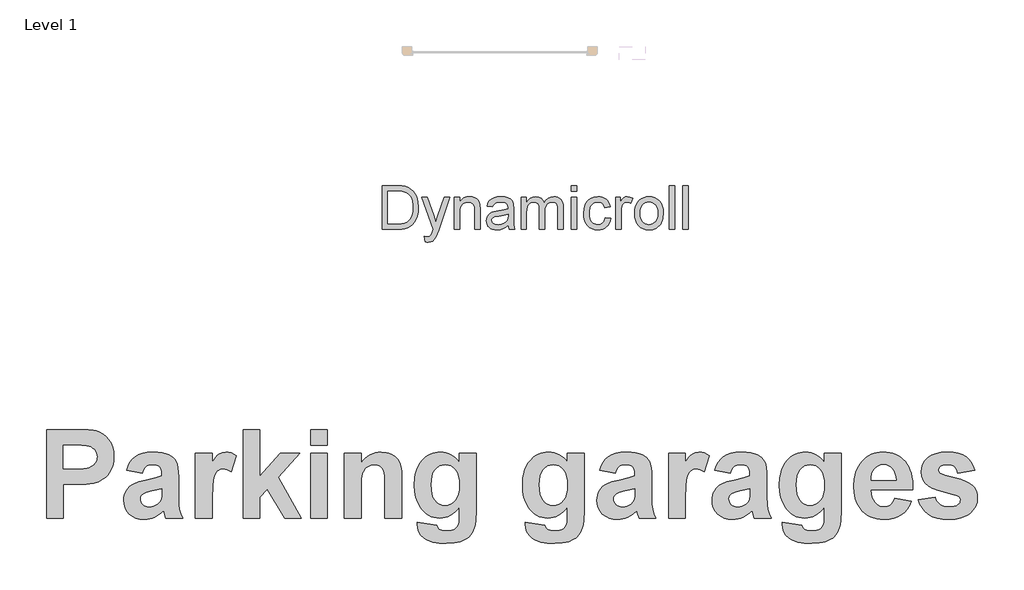
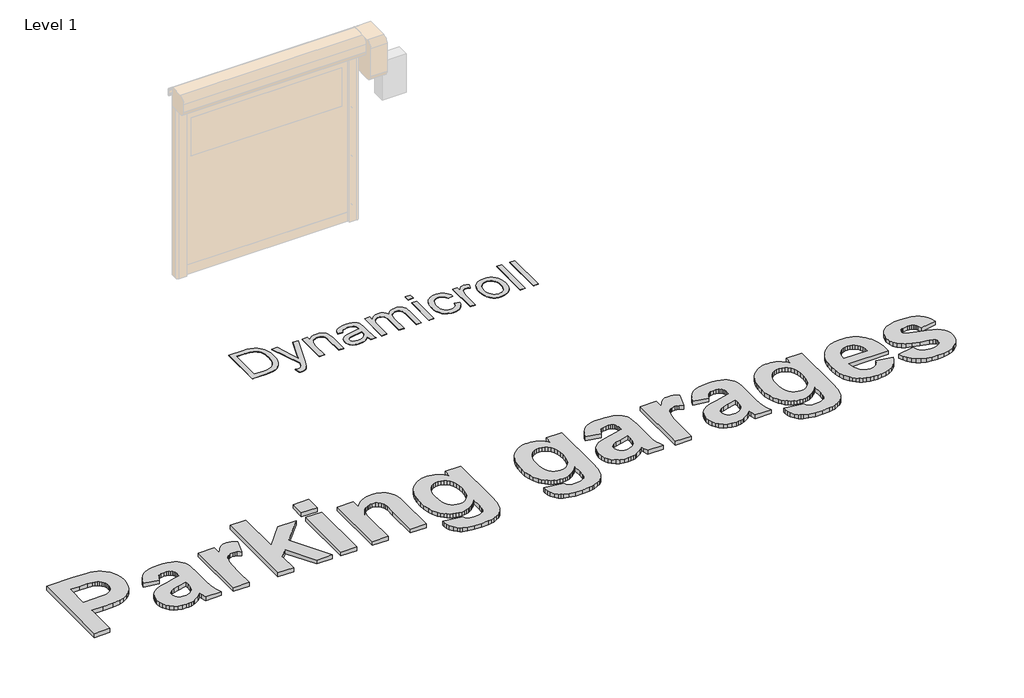
# One storey, part 18 of 18: 2 proxies.
"""IFC4 building model written with IfcOpenShell, lengths in millimetres."""

from ifc_helpers import new_model, si_unit, origin, origin_with_axes, place, context, project, spatial, polyline, outline, extrude, element, save

model = new_model("IFC4")

# Units and contexts
model_context = context("Model", 3, world=origin())
ifc_project = project(units=[si_unit("LENGTHUNIT", "METRE", prefix="MILLI")], contexts=[model_context])

# Site, building, storey
site = spatial("IfcSite", under=ifc_project)
building = spatial("IfcBuilding", under=site)
storey = spatial("IfcBuildingStorey", under=building, Name="Level 1", Elevation=0.0)

# Proxies
placement = place(None, origin())
element("IfcBuildingElementProxy", 1, Name="1000", ObjectType="1000", at=placement, inside=storey, context=model_context, shape_type="SweptSolid", body=[
    extrude(outline(polyline([(-782.7548717, 74991.5736553), (-782.7548717, 76011.8330553), (-454.0552287, 76011.8330553), (-299.6372478, 76008.0374474), (-246.8624832, 76003.2929375), (-210.3772023, 75996.6506237), (-168.5069028, 75981.9031056), (-130.1949857, 75960.4341985), (-95.441451, 75932.2439024), (-64.2462987, 75897.3322174), (-38.5073327, 75856.2842996), (-20.122357, 75809.6853052), (-9.0913716, 75757.5352344), (-5.4143765, 75699.834087), (-7.5731284, 75655.0063763), (-14.0493844, 75613.8951984), (-24.8431443, 75576.5005532), (-39.9544082, 75542.8224407), (-58.3947365, 75512.7106182), (-79.1756897, 75486.0148427), (-102.2972678, 75462.7351143), (-127.7594707, 75442.871433), (-181.4356922, 75412.6647203), (-235.9342954, 75394.6672129), (-327.3451854, 75383.8497304), (-452.283945, 75380.2439029), (-588.4197479, 75380.2439029), (-588.4197479, 74991.5736553), (-782.7548717, 74991.5736553)]), holes=[polyline([(-588.4197479, 75833.6925251), (-588.4197479, 75558.3844331), (-467.7194171, 75558.3844331), (-359.0068812, 75562.180041), (-320.8531144, 75566.9245508), (-293.5010151, 75573.5668646), (-254.3429937, 75593.0826152), (-238.3223654, 75606.0904797), (-224.673992, 75621.2650037), (-213.7695269, 75638.1791814), (-205.9806232, 75656.4060067), (-201.307281, 75675.9454798), (-199.7495003, 75696.7976007), (-201.9398823, 75722.0858382), (-208.5110285, 75745.065081), (-219.4629387, 75765.7353289), (-234.7956131, 75784.0965821), (-253.4652594, 75799.6902045), (-274.4280854, 75812.0575602), (-297.6840913, 75821.1986492), (-323.2332768, 75827.1134714), (-382.6345403, 75832.0477617), (-481.8896865, 75833.6925251), (-588.4197479, 75833.6925251)])]), origin_with_axes(), (0.0, 0.0, 1.0), 50.0),
    extrude(outline(polyline([(318.4774965, 75509.8006521), (140.3369664, 75542.1898394), (157.0771787, 75592.3551237), (178.9572766, 75635.5617934), (205.9772603, 75671.8098487), (238.1371296, 75701.0992896), (277.065833, 75723.6831565), (324.3923188, 75739.8144901), (380.1165871, 75749.4932902), (444.2386379, 75752.7195569), (502.3905137, 75750.7664003), (552.603243, 75744.9069306), (594.8768259, 75735.1411478), (629.2112622, 75721.4690519), (657.3303906, 75704.8000073), (680.9580497, 75686.0433783), (700.0942395, 75665.199165), (714.7389599, 75642.2673674), (725.5880725, 75613.2705046), (733.3374386, 75574.231096), (737.9870582, 75525.1491415), (739.5369315, 75466.0246412), (739.5369315, 75236.2638437), (742.0989668, 75150.9891866), (749.7850727, 75091.524663), (764.4930533, 75043.2571827), (788.1207124, 74991.5736553), (593.7855886, 74991.5736553), (575.5666707, 75053.3155436), (568.7345765, 75077.8604746), (518.442772, 75033.1039316), (464.7349205, 75001.062675), (436.5683469, 74989.8260942), (407.4845015, 74981.799965), (377.4833842, 74976.9842875), (346.5649949, 74975.3790617), (294.0828084, 74979.2774673), (247.467999, 74990.9726841), (206.7205668, 75010.4647121), (171.8405119, 75037.7535513), (143.8874413, 75070.9888428), (123.9209623, 75108.3202279), (111.9410749, 75149.7477065), (107.9477791, 75195.2712786), (109.7269703, 75225.9208123), (115.0645439, 75254.8623224), (123.9604999, 75282.095809), (136.4148382, 75307.621272), (152.0796283, 75330.8535553), (170.6069393, 75351.2075026), (191.9967712, 75368.6831139), (216.2491241, 75383.2803892), (278.9399144, 75407.8885804), (364.2778317, 75429.0807244), (474.7932814, 75454.0684763), (545.2018076, 75477.4114648), (545.2018076, 75497.9077474), (543.691472, 75525.2677543), (539.1604651, 75548.3893323), (531.6087869, 75567.2724815), (521.0364374, 75581.917202), (506.2889193, 75592.8770197), (486.2117351, 75600.705461), (460.8048848, 75605.4025258), (430.0683684, 75606.968214), (389.7716647, 75601.5911028), (373.3714756, 75594.8697139), (359.4700617, 75585.4597693), (347.4190067, 75572.6654077), (336.5698941, 75555.7907677), (318.4774965, 75509.8006521)]), holes=[polyline([(545.2018076, 75331.660122), (435.63526, 75304.711306), (373.6403312, 75289.2442038), (337.455536, 75273.9668821), (322.067509, 75260.9827401), (311.0760612, 75246.3222046), (304.4811925, 75229.9852757), (302.2829029, 75211.9719533), (304.0462791, 75194.1246887), (309.3364076, 75177.5268117), (318.1532884, 75162.1783223), (330.4969215, 75148.0792205), (345.5607403, 75136.2891135), (362.5381781, 75127.8676085), (381.4292349, 75122.8147055), (402.2339106, 75121.1304045), (426.3518357, 75123.0914686), (449.8687896, 75128.9746608), (472.7847722, 75138.7799812), (495.0997835, 75152.5074297), (522.3016401, 75178.9501647), (538.1166729, 75210.7067506), (543.430524, 75243.4122386), (545.2018076, 75296.4874889), (545.2018076, 75331.660122)])]), origin_with_axes(), (0.0, 0.0, 1.0), 50.0),
    extrude(outline(polyline([(1128.2071791, 74991.5736553), (933.8720553, 74991.5736553), (933.8720553, 75736.5249632), (1128.2071791, 75736.5249632), (1128.2071791, 75632.7783476), (1169.2630044, 75693.7927444), (1188.1303386, 75714.8346456), (1205.8906205, 75729.5663488), (1242.708017, 75746.9312548), (1284.3331835, 75752.7195569), (1314.935272, 75750.1575215), (1344.9996495, 75742.4714156), (1374.5263159, 75729.661239), (1403.5152711, 75711.7269917), (1346.8341933, 75526.7543673), (1300.0216961, 75550.4769166), (1277.9439102, 75556.407554), (1256.7517662, 75558.3844331), (1219.3966585, 75552.8491716), (1203.0676371, 75545.9300947), (1188.3043039, 75536.2433871), (1175.0671214, 75522.9508519), (1163.316552, 75505.2142926), (1144.2752524, 75456.4091012), (1137.2454703, 75419.6549648), (1132.2241974, 75367.0857956), (1128.2071791, 75214.5023585), (1128.2071791, 74991.5736553)])), origin_with_axes(), (0.0, 0.0, 1.0), 50.0),
    extrude(outline(polyline([(1484.4882394, 74991.5736553), (1484.4882394, 76011.8330553), (1678.8233632, 76011.8330553), (1678.8233632, 75474.121938), (1913.6449711, 75736.5249632), (2140.3692822, 75736.5249632), (1890.6182832, 75462.7351143), (2156.5638758, 74991.5736553), (1962.228752, 74991.5736553), (1765.6162635, 75325.3341088), (1678.8233632, 75230.1908711), (1678.8233632, 74991.5736553), (1484.4882394, 74991.5736553)])), origin_with_axes(), (0.0, 0.0, 1.0), 50.0),
    extrude(outline(polyline([(2261.8287346, 75833.6925251), (2261.8287346, 76011.8330553), (2456.1638584, 76011.8330553), (2456.1638584, 75833.6925251), (2261.8287346, 75833.6925251)])), origin_with_axes(), (0.0, 0.0, 1.0), 50.0),
    extrude(outline(polyline([(2261.8287346, 74991.5736553), (2261.8287346, 75736.5249632), (2456.1638584, 75736.5249632), (2456.1638584, 74991.5736553), (2261.8287346, 74991.5736553)])), origin_with_axes(), (0.0, 0.0, 1.0), 50.0),
    extrude(outline(polyline([(3314.4773218, 74991.5736553), (3120.142198, 74991.5736553), (3120.142198, 75374.4239708), (3117.1057117, 75474.628019), (3113.3101038, 75508.5987096), (3107.9962528, 75531.8151779), (3091.9914395, 75563.5085037), (3068.2688902, 75587.231053), (3037.9672873, 75602.0339238), (3002.225313, 75606.968214), (2978.0678503, 75605.2048379), (2955.1914053, 75599.9147094), (2933.5959779, 75591.0978285), (2913.2815682, 75578.7541954), (2895.1575405, 75563.4926887), (2880.1332593, 75545.9221872), (2868.2087245, 75526.0426909), (2859.3839362, 75503.8541998), (2853.0183855, 75475.5690135), (2848.4715635, 75437.3994317), (2844.834106, 75331.4070814), (2844.834106, 74991.5736553), (2650.4989822, 74991.5736553), (2650.4989822, 75736.5249632), (2844.834106, 75736.5249632), (2844.834106, 75629.2357803), (2868.6713142, 75658.1772904), (2894.0030431, 75683.2599325), (2920.8292926, 75704.4837066), (2949.1500627, 75721.8486127), (2978.9653534, 75735.3546508), (3010.2751647, 75745.0018208), (3043.0794966, 75750.7901229), (3077.3783492, 75752.7195569), (3136.4633119, 75746.8363646), (3164.0130992, 75739.4823744), (3190.2344237, 75729.186788), (3235.149117, 75702.4277524), (3252.956844, 75686.6285345), (3267.6648245, 75669.2161834), (3289.9640209, 75630.3428326), (3304.2291805, 75586.5984517), (3311.9152865, 75530.3918249), (3314.4773218, 75454.1317364), (3314.4773218, 74991.5736553)])), origin_with_axes(), (0.0, 0.0, 1.0), 50.0),
    extrude(outline(polyline([(3492.617852, 74942.9898744), (3719.3421631, 74910.6006871), (3728.0088011, 74882.0071076), (3743.381013, 74864.0412303), (3758.3894792, 74856.0704538), (3777.0986631, 74850.3770419), (3825.6191839, 74845.8223125), (3859.3052039, 74847.2614804), (3888.4997546, 74851.5789844), (3913.2028359, 74858.7748244), (3933.4144479, 74868.8490003), (3954.5433318, 74889.0289822), (3969.8522836, 74918.6979839), (3976.304817, 74953.6175764), (3978.4556615, 75009.2864921), (3978.4556615, 75117.8408777), (3953.9067767, 75088.2469974), (3928.3378223, 75062.5989679), (3901.7487983, 75040.896789), (3874.1397047, 75023.1404609), (3845.5105415, 75009.3299835), (3815.8613086, 74999.4653567), (3785.1920061, 74993.5465807), (3753.5026341, 74991.5736553), (3718.5079201, 74993.5544882), (3685.3872875, 74999.4969868), (3654.1407363, 75009.4011511), (3624.7682666, 75023.2669812), (3597.2698782, 75041.094477), (3571.6455712, 75062.8836385), (3547.8953456, 75088.6344657), (3526.0192014, 75118.3469587), (3497.2358416, 75171.5170992), (3476.6762988, 75230.8234724), (3464.3405732, 75296.2660784), (3460.2286647, 75367.8449171), (3465.6136834, 75455.9425577), (3472.3449567, 75495.8458625), (3481.7687394, 75532.9854903), (3493.8850315, 75567.3614411), (3508.6938329, 75598.9737149), (3526.1951436, 75627.8223117), (3546.3889637, 75653.9072315), (3592.1023162, 75697.1376239), (3616.9338947, 75714.1209923), (3643.0820746, 75728.0164755), (3670.5468561, 75738.8240736), (3699.328239, 75746.5437865), (3729.4262234, 75751.1756143), (3760.8408093, 75752.7195569), (3793.1351064, 75750.8889668), (3823.9744205, 75745.3971967), (3853.3587515, 75736.2442464), (3881.2880996, 75723.430116), (3907.7624646, 75706.9548055), (3932.7818466, 75686.8183149), (3956.3462455, 75663.0206442), (3978.4556615, 75635.5617934), (3978.4556615, 75736.5249632), (4172.7907853, 75736.5249632), (4172.7907853, 75074.8239883), (4167.5085643, 74960.9241216), (4160.9057881, 74916.2861914), (4151.6619014, 74879.8562632), (4140.0378522, 74849.2778971), (4126.2945887, 74822.1946534), (4110.4321107, 74798.6065319), (4092.4504183, 74778.5135326), (4071.8118005, 74761.156534), (4047.9785459, 74745.7764146), (3990.728127, 74720.946813), (3956.796974, 74711.8136315), (3918.6432072, 74705.2899305), (3829.6678323, 74700.0709696), (3744.3773601, 74703.9614677), (3672.4664057, 74715.6329619), (3613.934969, 74735.0854524), (3589.6865699, 74747.7295711), (3568.7830502, 74762.318939), (3535.1286603, 74795.530508), (3511.0898104, 74832.9172456), (3496.6665004, 74874.479152), (3491.8587304, 74920.216227), (3492.617852, 74942.9898744)]), holes=[polyline([(3654.5637885, 75375.1830924), (3657.3709568, 75317.5847427), (3665.7924618, 75268.2734703), (3679.8283035, 75227.249275), (3699.4784818, 75194.512157), (3723.2563837, 75169.492775), (3749.6753961, 75151.6217879), (3778.735519, 75140.8991956), (3810.4367524, 75137.3249982), (3844.3679054, 75140.9940858), (3875.5630577, 75152.0013487), (3904.0222093, 75170.3467868), (3929.7453603, 75196.0304001), (3951.056117, 75228.9098535), (3966.2780862, 75268.8428114), (3975.4112676, 75315.8292741), (3978.4556615, 75369.8692414), (3975.5377879, 75426.2102959), (3966.7841672, 75474.7861694), (3952.1947994, 75515.5968617), (3931.7696845, 75548.6423728), (3906.8847303, 75574.1599283), (3878.9158446, 75592.3867537), (3847.8630276, 75603.3228489), (3813.7262792, 75606.968214), (3780.5858778, 75603.3940166), (3750.4977778, 75592.6714243), (3723.4619791, 75574.8004372), (3699.4784818, 75549.7810552), (3679.8283035, 75517.423498), (3665.7924618, 75477.5379851), (3657.3709568, 75430.1245166), (3654.5637885, 75375.1830924)])]), origin_with_axes(), (0.0, 0.0, 1.0), 50.0),
    extrude(outline(polyline([(4739.601563, 74942.9898744), (4966.3258741, 74910.6006871), (4974.9925121, 74882.0071076), (4990.3647241, 74864.0412303), (5005.3731903, 74856.0704538), (5024.0823741, 74850.3770419), (5072.602895, 74845.8223125), (5106.288915, 74847.2614804), (5135.4834656, 74851.5789844), (5160.1865469, 74858.7748244), (5180.3981589, 74868.8490003), (5201.5270428, 74889.0289822), (5216.8359947, 74918.6979839), (5223.2885281, 74953.6175764), (5225.4393725, 75009.2864921), (5225.4393725, 75117.8408777), (5200.8904878, 75088.2469974), (5175.3215334, 75062.5989679), (5148.7325094, 75040.896789), (5121.1234158, 75023.1404609), (5092.4942525, 75009.3299835), (5062.8450197, 74999.4653567), (5032.1757172, 74993.5465807), (5000.4863451, 74991.5736553), (4965.4916311, 74993.5544882), (4932.3709986, 74999.4969868), (4901.1244474, 75009.4011511), (4871.7519776, 75023.2669812), (4844.2535892, 75041.094477), (4818.6292822, 75062.8836385), (4794.8790566, 75088.6344657), (4773.0029124, 75118.3469587), (4744.2195526, 75171.5170992), (4723.6600099, 75230.8234724), (4711.3242843, 75296.2660784), (4707.2123757, 75367.8449171), (4712.5973944, 75455.9425577), (4719.3286678, 75495.8458625), (4728.7524505, 75532.9854903), (4740.8687425, 75567.3614411), (4755.6775439, 75598.9737149), (4773.1788547, 75627.8223117), (4793.3726748, 75653.9072315), (4839.0860272, 75697.1376239), (4863.9176057, 75714.1209923), (4890.0657857, 75728.0164755), (4917.5305671, 75738.8240736), (4946.31195, 75746.5437865), (4976.4099345, 75751.1756143), (5007.8245204, 75752.7195569), (5040.1188175, 75750.8889668), (5070.9581315, 75745.3971967), (5100.3424626, 75736.2442464), (5128.2718106, 75723.430116), (5154.7461756, 75706.9548055), (5179.7655576, 75686.8183149), (5203.3299566, 75663.0206442), (5225.4393725, 75635.5617934), (5225.4393725, 75736.5249632), (5419.7744963, 75736.5249632), (5419.7744963, 75074.8239883), (5414.4922754, 74960.9241216), (5407.8894991, 74916.2861914), (5398.6456124, 74879.8562632), (5387.0215633, 74849.2778971), (5373.2782997, 74822.1946534), (5357.4158218, 74798.6065319), (5339.4341294, 74778.5135326), (5318.7955115, 74761.156534), (5294.962257, 74745.7764146), (5237.711838, 74720.946813), (5203.780685, 74711.8136315), (5165.6269182, 74705.2899305), (5076.6515434, 74700.0709696), (4991.3610711, 74703.9614677), (4919.4501167, 74715.6329619), (4860.9186801, 74735.0854524), (4836.670281, 74747.7295711), (4815.7667613, 74762.318939), (4782.1123714, 74795.530508), (4758.0735214, 74832.9172456), (4743.6502114, 74874.479152), (4738.8424415, 74920.216227), (4739.601563, 74942.9898744)]), holes=[polyline([(4901.5474995, 75375.1830924), (4904.3546679, 75317.5847427), (4912.7761729, 75268.2734703), (4926.8120145, 75227.249275), (4946.4621929, 75194.512157), (4970.2400948, 75169.492775), (4996.6591072, 75151.6217879), (5025.71923, 75140.8991956), (5057.4204634, 75137.3249982), (5091.3516164, 75140.9940858), (5122.5467687, 75152.0013487), (5151.0059204, 75170.3467868), (5176.7290713, 75196.0304001), (5198.0398281, 75228.9098535), (5213.2617972, 75268.8428114), (5222.3949787, 75315.8292741), (5225.4393725, 75369.8692414), (5222.521499, 75426.2102959), (5213.7678783, 75474.7861694), (5199.1785105, 75515.5968617), (5178.7533955, 75548.6423728), (5153.8684413, 75574.1599283), (5125.8995557, 75592.3867537), (5094.8467387, 75603.3228489), (5060.7099902, 75606.968214), (5027.5695889, 75603.3940166), (4997.4814889, 75592.6714243), (4970.4456902, 75574.8004372), (4946.4621929, 75549.7810552), (4926.8120145, 75517.423498), (4912.7761729, 75477.5379851), (4904.3546679, 75430.1245166), (4901.5474995, 75375.1830924)])]), origin_with_axes(), (0.0, 0.0, 1.0), 50.0),
    extrude(outline(polyline([(5776.0555566, 75509.8006521), (5597.9150265, 75542.1898394), (5614.6552388, 75592.3551237), (5636.5353367, 75635.5617934), (5663.5553204, 75671.8098487), (5695.7151897, 75701.0992896), (5734.6438931, 75723.6831565), (5781.9703789, 75739.8144901), (5837.6946472, 75749.4932902), (5901.8166979, 75752.7195569), (5959.9685738, 75750.7664003), (6010.1813031, 75744.9069306), (6052.454886, 75735.1411478), (6086.7893223, 75721.4690519), (6114.9084507, 75704.8000073), (6138.5361098, 75686.0433783), (6157.6722996, 75665.199165), (6172.31702, 75642.2673674), (6183.1661326, 75613.2705046), (6190.9154987, 75574.231096), (6195.5651183, 75525.1491415), (6197.1149915, 75466.0246412), (6197.1149915, 75236.2638437), (6199.6770269, 75150.9891866), (6207.3631328, 75091.524663), (6222.0711134, 75043.2571827), (6245.6987725, 74991.5736553), (6051.3636487, 74991.5736553), (6033.1447308, 75053.3155436), (6026.3126366, 75077.8604746), (5976.0208321, 75033.1039316), (5922.3129805, 75001.062675), (5894.146407, 74989.8260942), (5865.0625616, 74981.799965), (5835.0614442, 74976.9842875), (5804.143055, 74975.3790617), (5751.6608684, 74979.2774673), (5705.0460591, 74990.9726841), (5664.2986269, 75010.4647121), (5629.4185719, 75037.7535513), (5601.4655014, 75070.9888428), (5581.4990224, 75108.3202279), (5569.519135, 75149.7477065), (5565.5258392, 75195.2712786), (5567.3050304, 75225.9208123), (5572.642604, 75254.8623224), (5581.53856, 75282.095809), (5593.9928983, 75307.621272), (5609.6576884, 75330.8535553), (5628.1849994, 75351.2075026), (5649.5748313, 75368.6831139), (5673.8271842, 75383.2803892), (5736.5179745, 75407.8885804), (5821.8558918, 75429.0807244), (5932.3713414, 75454.0684763), (6002.7798677, 75477.4114648), (6002.7798677, 75497.9077474), (6001.2695321, 75525.2677543), (5996.7385252, 75548.3893323), (5989.186847, 75567.2724815), (5978.6144975, 75581.917202), (5963.8669794, 75592.8770197), (5943.7897952, 75600.705461), (5918.3829449, 75605.4025258), (5887.6464285, 75606.968214), (5847.3497248, 75601.5911028), (5830.9495357, 75594.8697139), (5817.0481218, 75585.4597693), (5804.9970668, 75572.6654077), (5794.1479542, 75555.7907677), (5776.0555566, 75509.8006521)]), holes=[polyline([(6002.7798677, 75331.660122), (5893.2133201, 75304.711306), (5831.2183913, 75289.2442038), (5795.0335961, 75273.9668821), (5779.6455691, 75260.9827401), (5768.6541213, 75246.3222046), (5762.0592526, 75229.9852757), (5759.860963, 75211.9719533), (5761.6243391, 75194.1246887), (5766.9144676, 75177.5268117), (5775.7313485, 75162.1783223), (5788.0749816, 75148.0792205), (5803.1388004, 75136.2891135), (5820.1162382, 75127.8676085), (5839.0072949, 75122.8147055), (5859.8119707, 75121.1304045), (5883.9298958, 75123.0914686), (5907.4468496, 75128.9746608), (5930.3628323, 75138.7799812), (5952.6778436, 75152.5074297), (5979.8797002, 75178.9501647), (5995.694733, 75210.7067506), (6001.0085841, 75243.4122386), (6002.7798677, 75296.4874889), (6002.7798677, 75331.660122)])]), origin_with_axes(), (0.0, 0.0, 1.0), 50.0),
    extrude(outline(polyline([(6585.7852391, 74991.5736553), (6391.4501153, 74991.5736553), (6391.4501153, 75736.5249632), (6585.7852391, 75736.5249632), (6585.7852391, 75632.7783476), (6626.8410644, 75693.7927444), (6645.7083987, 75714.8346456), (6663.4686806, 75729.5663488), (6700.2860771, 75746.9312548), (6741.9112435, 75752.7195569), (6772.5133321, 75750.1575215), (6802.5777096, 75742.4714156), (6832.104376, 75729.661239), (6861.0933312, 75711.7269917), (6804.4122534, 75526.7543673), (6757.5997561, 75550.4769166), (6735.5219703, 75556.407554), (6714.3298262, 75558.3844331), (6676.9747186, 75552.8491716), (6660.6456972, 75545.9300947), (6645.882364, 75536.2433871), (6632.6451815, 75522.9508519), (6620.8946121, 75505.2142926), (6601.8533125, 75456.4091012), (6594.8235304, 75419.6549648), (6589.8022575, 75367.0857956), (6585.7852391, 75214.5023585), (6585.7852391, 74991.5736553)])), origin_with_axes(), (0.0, 0.0, 1.0), 50.0),
    extrude(outline(polyline([(7104.0122359, 75509.8006521), (6925.8717058, 75542.1898394), (6942.6119181, 75592.3551237), (6964.492016, 75635.5617934), (6991.5119997, 75671.8098487), (7023.671869, 75701.0992896), (7062.6005724, 75723.6831565), (7109.9270582, 75739.8144901), (7165.6513265, 75749.4932902), (7229.7733773, 75752.7195569), (7287.9252531, 75750.7664003), (7338.1379824, 75744.9069306), (7380.4115653, 75735.1411478), (7414.7460016, 75721.4690519), (7442.86513, 75704.8000073), (7466.4927891, 75686.0433783), (7485.6289789, 75665.199165), (7500.2736993, 75642.2673674), (7511.1228119, 75613.2705046), (7518.872178, 75574.231096), (7523.5217976, 75525.1491415), (7525.0716708, 75466.0246412), (7525.0716708, 75236.2638437), (7527.6337062, 75150.9891866), (7535.3198121, 75091.524663), (7550.0277927, 75043.2571827), (7573.6554518, 74991.5736553), (7379.320328, 74991.5736553), (7361.1014101, 75053.3155436), (7354.2693159, 75077.8604746), (7303.9775114, 75033.1039316), (7250.2696598, 75001.062675), (7222.1030863, 74989.8260942), (7193.0192409, 74981.799965), (7163.0181236, 74976.9842875), (7132.0997343, 74975.3790617), (7079.6175478, 74979.2774673), (7033.0027384, 74990.9726841), (6992.2553062, 75010.4647121), (6957.3752513, 75037.7535513), (6929.4221807, 75070.9888428), (6909.4557017, 75108.3202279), (6897.4758143, 75149.7477065), (6893.4825185, 75195.2712786), (6895.2617097, 75225.9208123), (6900.5992833, 75254.8623224), (6909.4952393, 75282.095809), (6921.9495776, 75307.621272), (6937.6143677, 75330.8535553), (6956.1416787, 75351.2075026), (6977.5315106, 75368.6831139), (7001.7838635, 75383.2803892), (7064.4746538, 75407.8885804), (7149.8125711, 75429.0807244), (7260.3280207, 75454.0684763), (7330.736547, 75477.4114648), (7330.736547, 75497.9077474), (7329.2262114, 75525.2677543), (7324.6952045, 75548.3893323), (7317.1435263, 75567.2724815), (7306.5711768, 75581.917202), (7291.8236587, 75592.8770197), (7271.7464745, 75600.705461), (7246.3396242, 75605.4025258), (7215.6031078, 75606.968214), (7175.3064041, 75601.5911028), (7158.906215, 75594.8697139), (7145.0048011, 75585.4597693), (7132.9537461, 75572.6654077), (7122.1046335, 75555.7907677), (7104.0122359, 75509.8006521)]), holes=[polyline([(7330.736547, 75331.660122), (7221.1699994, 75304.711306), (7159.1750706, 75289.2442038), (7122.9902754, 75273.9668821), (7107.6022484, 75260.9827401), (7096.6108006, 75246.3222046), (7090.0159319, 75229.9852757), (7087.8176423, 75211.9719533), (7089.5810185, 75194.1246887), (7094.871147, 75177.5268117), (7103.6880278, 75162.1783223), (7116.0316609, 75148.0792205), (7131.0954797, 75136.2891135), (7148.0729175, 75127.8676085), (7166.9639742, 75122.8147055), (7187.76865, 75121.1304045), (7211.8865751, 75123.0914686), (7235.403529, 75128.9746608), (7258.3195116, 75138.7799812), (7280.6345229, 75152.5074297), (7307.8363795, 75178.9501647), (7323.6514123, 75210.7067506), (7328.9652634, 75243.4122386), (7330.736547, 75296.4874889), (7330.736547, 75331.660122)])]), origin_with_axes(), (0.0, 0.0, 1.0), 50.0),
    extrude(outline(polyline([(7703.212201, 74942.9898744), (7929.9365121, 74910.6006871), (7938.6031501, 74882.0071076), (7953.975362, 74864.0412303), (7968.9838282, 74856.0704538), (7987.6930121, 74850.3770419), (8036.2135329, 74845.8223125), (8069.8995529, 74847.2614804), (8099.0941036, 74851.5789844), (8123.7971849, 74858.7748244), (8144.0087969, 74868.8490003), (8165.1376808, 74889.0289822), (8180.4466326, 74918.6979839), (8186.899166, 74953.6175764), (8189.0500105, 75009.2864921), (8189.0500105, 75117.8408777), (8164.5011257, 75088.2469974), (8138.9321714, 75062.5989679), (8112.3431474, 75040.896789), (8084.7340537, 75023.1404609), (8056.1048905, 75009.3299835), (8026.4556577, 74999.4653567), (7995.7863552, 74993.5465807), (7964.0969831, 74991.5736553), (7929.1022691, 74993.5544882), (7895.9816365, 74999.4969868), (7864.7350854, 75009.4011511), (7835.3626156, 75023.2669812), (7807.8642272, 75041.094477), (7782.2399202, 75062.8836385), (7758.4896946, 75088.6344657), (7736.6135504, 75118.3469587), (7707.8301906, 75171.5170992), (7687.2706479, 75230.8234724), (7674.9349222, 75296.2660784), (7670.8230137, 75367.8449171), (7676.2080324, 75455.9425577), (7682.9393057, 75495.8458625), (7692.3630885, 75532.9854903), (7704.4793805, 75567.3614411), (7719.2881819, 75598.9737149), (7736.7894926, 75627.8223117), (7756.9833127, 75653.9072315), (7802.6966652, 75697.1376239), (7827.5282437, 75714.1209923), (7853.6764236, 75728.0164755), (7881.1412051, 75738.8240736), (7909.922588, 75746.5437865), (7940.0205724, 75751.1756143), (7971.4351583, 75752.7195569), (8003.7294554, 75750.8889668), (8034.5687695, 75745.3971967), (8063.9531006, 75736.2442464), (8091.8824486, 75723.430116), (8118.3568136, 75706.9548055), (8143.3761956, 75686.8183149), (8166.9405946, 75663.0206442), (8189.0500105, 75635.5617934), (8189.0500105, 75736.5249632), (8383.3851343, 75736.5249632), (8383.3851343, 75074.8239883), (8378.1029133, 74960.9241216), (8371.5001371, 74916.2861914), (8362.2562504, 74879.8562632), (8350.6322012, 74849.2778971), (8336.8889377, 74822.1946534), (8321.0264597, 74798.6065319), (8303.0447674, 74778.5135326), (8282.4061495, 74761.156534), (8258.572895, 74745.7764146), (8201.322476, 74720.946813), (8167.391323, 74711.8136315), (8129.2375562, 74705.2899305), (8040.2621813, 74700.0709696), (7954.9717091, 74703.9614677), (7883.0607547, 74715.6329619), (7824.5293181, 74735.0854524), (7800.2809189, 74747.7295711), (7779.3773993, 74762.318939), (7745.7230093, 74795.530508), (7721.6841594, 74832.9172456), (7707.2608494, 74874.479152), (7702.4530794, 74920.216227), (7703.212201, 74942.9898744)]), holes=[polyline([(7865.1581375, 75375.1830924), (7867.9653058, 75317.5847427), (7876.3868108, 75268.2734703), (7890.4226525, 75227.249275), (7910.0728308, 75194.512157), (7933.8507327, 75169.492775), (7960.2697451, 75151.6217879), (7989.329868, 75140.8991956), (8021.0311014, 75137.3249982), (8054.9622544, 75140.9940858), (8086.1574067, 75152.0013487), (8114.6165583, 75170.3467868), (8140.3397093, 75196.0304001), (8161.6504661, 75228.9098535), (8176.8724352, 75268.8428114), (8186.0056167, 75315.8292741), (8189.0500105, 75369.8692414), (8186.1321369, 75426.2102959), (8177.3785162, 75474.7861694), (8162.7891484, 75515.5968617), (8142.3640335, 75548.6423728), (8117.4790793, 75574.1599283), (8089.5101937, 75592.3867537), (8058.4573766, 75603.3228489), (8024.3206282, 75606.968214), (7991.1802269, 75603.3940166), (7961.0921268, 75592.6714243), (7934.0563282, 75574.8004372), (7910.0728308, 75549.7810552), (7890.4226525, 75517.423498), (7876.3868108, 75477.5379851), (7867.9653058, 75430.1245166), (7865.1581375, 75375.1830924)])]), origin_with_axes(), (0.0, 0.0, 1.0), 50.0),
    extrude(outline(polyline([(8998.779693, 75218.2979664), (9193.1148168, 75185.9087791), (9172.1124532, 75137.491056), (9145.7962385, 75095.2253807), (9114.1661728, 75059.1117531), (9077.222256, 75029.1501734), (9035.1384536, 75005.625312), (8988.0887308, 74988.8218396), (8936.0730877, 74978.7397561), (8879.0915243, 74975.3790617), (8833.5560909, 74977.3598945), (8791.0808664, 74983.3023931), (8751.6658508, 74993.2065575), (8715.311044, 75007.0723875), (8682.0164461, 75024.8998833), (8651.782057, 75046.6890448), (8624.6078768, 75072.4398721), (8600.4939054, 75102.1523651), (8569.2750306, 75156.2239624), (8546.9758342, 75216.9695037), (8533.5963164, 75284.3889887), (8529.1364772, 75358.4824177), (8535.0512994, 75445.8446592), (8542.4448273, 75485.7776172), (8552.7957663, 75523.2118), (8566.1041165, 75558.1472076), (8582.3698778, 75590.58384), (8601.5930502, 75620.5216972), (8623.7736338, 75647.9607792), (8648.2157671, 75672.5136177), (8674.2235886, 75693.7927444), (8701.7970984, 75711.7981593), (8730.9362965, 75726.5298624), (8761.6411828, 75737.9878538), (8793.9117573, 75746.1721333), (8827.7480201, 75751.082701), (8863.1499712, 75752.7195569), (8902.6915071, 75751.0392096), (8940.0901061, 75745.9981679), (8975.3457681, 75737.5964317), (9008.4584931, 75725.834001), (9039.4282812, 75710.7108758), (9068.2551324, 75692.2270562), (9094.9390466, 75670.382542), (9119.4800238, 75645.1773334), (9141.4194281, 75616.5007251), (9160.2986236, 75584.2420118), (9176.1176102, 75548.4011936), (9188.876388, 75508.9782704), (9198.5749569, 75465.9732423), (9205.2133169, 75419.3861092), (9208.7914681, 75369.2168712), (9209.3094105, 75315.4655283), (8723.471601, 75315.4655283), (8727.0932435, 75271.9741879), (8735.9338468, 75233.6069182), (8749.9934111, 75200.3637191), (8769.2719361, 75172.2445907), (8792.5042194, 75149.8821343), (8818.4250583, 75133.9089511), (8847.0344527, 75124.3250411), (8878.3324027, 75121.1304045), (8919.1351875, 75126.8870765), (8936.9270995, 75134.0829164), (8952.9793578, 75144.1570924), (8967.2287024, 75157.4259049), (8979.6118732, 75174.2056548), (8998.779693, 75218.2979664)]), holes=[polyline([(9014.9742867, 75428.8276839), (9011.5107945, 75469.8597866), (9003.1446421, 75505.6571135), (8989.8758295, 75536.2196645), (8971.7043567, 75561.5474396), (8949.9745016, 75581.4190284), (8926.0305418, 75595.6130204), (8899.8724775, 75604.1294156), (8871.5003085, 75606.968214), (8841.3568559, 75603.9791728), (8813.9335889, 75595.0120492), (8789.2305076, 75580.0668431), (8767.2476119, 75559.1435546), (8749.3449947, 75532.9696753), (8736.6297083, 75502.525737), (8729.1017527, 75467.8117399), (8726.7611278, 75428.8276839), (9014.9742867, 75428.8276839)])]), origin_with_axes(), (0.0, 0.0, 1.0), 50.0),
    extrude(outline(polyline([(9274.0877851, 75202.1033728), (9468.4229089, 75234.4925601), (9476.0852923, 75208.3344957), (9486.9264973, 75185.5292183), (9500.9465239, 75166.0767279), (9518.1453722, 75149.9770245), (9538.7918976, 75137.3566282), (9563.1549557, 75128.3420595), (9591.2345465, 75122.9333183), (9623.0306701, 75121.1304045), (9657.8079274, 75122.8542431), (9687.9988251, 75128.0257588), (9713.6033633, 75136.6449517), (9734.621542, 75148.7118218), (9745.692065, 75159.1497435), (9753.5995814, 75171.2324286), (9758.3440913, 75184.9598771), (9759.9255946, 75200.3320891), (9756.5728076, 75220.4488109), (9746.5144467, 75236.7699248), (9723.551019, 75250.1178125), (9683.0012747, 75262.3270179), (9578.6378729, 75287.7259607), (9495.3084647, 75312.0494812), (9433.0130503, 75335.2975795), (9391.7516295, 75357.4702556), (9354.443967, 75390.5078592), (9327.7956367, 75429.397025), (9311.8066384, 75474.137753), (9306.4769724, 75524.7300431), (9311.0475169, 75571.0206443), (9324.7591503, 75613.4840076), (9347.6118728, 75652.1201328), (9379.6056843, 75686.9290202), (9421.2150358, 75715.71238), (9472.9143782, 75736.2719227), (9534.7037116, 75748.6076483), (9606.5830359, 75752.7195569), (9675.0146831, 75749.3984), (9734.0522008, 75739.4349293), (9783.695589, 75722.8291448), (9823.9448476, 75699.5810465), (9856.7294107, 75669.8171546), (9883.9787123, 75633.6639895), (9905.6927524, 75591.1215511), (9921.8715311, 75542.1898394), (9727.5364073, 75509.8006521), (9713.2396176, 75551.3625585), (9702.7700658, 75568.0157881), (9690.0864094, 75581.917202), (9674.8407178, 75592.8770197), (9656.68506, 75600.705461), (9635.6194363, 75605.4025258), (9611.6438465, 75606.968214), (9556.2912314, 75601.654363), (9535.4944632, 75595.0120492), (9519.2840545, 75585.7128098), (9505.4300858, 75568.2530136), (9500.8120962, 75546.2384878), (9505.4300858, 75527.1971883), (9519.2840545, 75511.0658547), (9539.3296087, 75500.4539677), (9574.6682996, 75487.8493865), (9691.2250918, 75456.6621417), (9759.2376406, 75438.047848), (9816.1322214, 75417.3776001), (9861.908834, 75394.6513978), (9896.5674785, 75369.8692414), (9921.8082709, 75341.1016966), (9939.8374084, 75307.1784511), (9950.6548909, 75268.0995049), (9954.2607184, 75223.864858), (9949.03385, 75174.6721983), (9933.3532449, 75129.069551), (9907.2189031, 75087.0569162), (9870.6308246, 75048.6342939), (9848.4680329, 75031.4650988), (9823.7946048, 75016.5851298), (9766.9158391, 74993.6928697), (9699.9945275, 74979.9575137), (9623.0306701, 74975.3790617), (9552.5193461, 74979.1904846), (9489.7732032, 74990.6247533), (9434.7922415, 75009.6818679), (9387.5764609, 75036.3618284), (9347.9835261, 75069.5892124), (9315.8711019, 75108.2885978), (9291.2391882, 75152.4599846), (9274.0877851, 75202.1033728)])), origin_with_axes(), (0.0, 0.0, 1.0), 50.0),
])
element("IfcBuildingElementProxy", 2, Name="500mm", ObjectType="500mm", at=placement, inside=storey, context=model_context, shape_type="SweptSolid", body=[
    extrude(outline(polyline([(3089.0858568, 78322.105087), (3089.0858568, 78824.3866377), (3262.3582766, 78824.3866377), (3314.1376674, 78822.5778846), (3351.9988561, 78817.1516251), (3392.0366799, 78803.2027661), (3425.8205098, 78781.2218169), (3444.4368716, 78763.2569128), (3460.5547015, 78742.9620894), (3474.1739995, 78720.3373467), (3485.2947657, 78695.3826847), (3500.102016, 78639.4033078), (3505.0377661, 78575.9436636), (3501.6961713, 78522.0336229), (3491.6713869, 78474.592174), (3476.4042841, 78434.2017966), (3457.335734, 78401.4449706), (3435.3854416, 78375.585932), (3411.473112, 78355.8889168), (3384.0199181, 78341.280936), (3351.4470331, 78330.6890002), (3313.6931433, 78324.2510653), (3270.6969351, 78322.105087), (3089.0858568, 78322.105087)]), holes=[polyline([(3151.8710507, 78384.8902808), (3262.9714132, 78384.8902808), (3308.9260058, 78387.1588864), (3343.7828248, 78393.9647033), (3370.0863875, 78404.9091927), (3390.3812109, 78419.5938157), (3412.1935475, 78446.7710981), (3428.5796247, 78481.9498139), (3438.8343353, 78525.2832472), (3442.2525722, 78576.9246823), (3440.5779427, 78613.3756566), (3435.5540542, 78645.3507334), (3427.1809067, 78672.8499125), (3415.4585002, 78695.8731941), (3401.3371966, 78714.9417441), (3385.7673575, 78730.5767289), (3368.7489832, 78742.7781484), (3350.2820734, 78751.5460027), (3314.1683242, 78759.0875836), (3261.2546306, 78761.6014439), (3151.8710507, 78761.6014439), (3151.8710507, 78384.8902808)])]), origin_with_axes(), (0.0, 0.0, 1.0), 5.0),
    extrude(outline(polyline([(3583.5192584, 78180.8384008), (3575.6711091, 78241.2936753), (3607.5542154, 78235.7754454), (3624.323503, 78237.5075565), (3637.352657, 78242.7038897), (3647.5000687, 78250.996563), (3655.6241294, 78262.0176944), (3672.7919559, 78308.2481985), (3677.6970491, 78323.4539876), (3544.2785122, 78690.9681008), (3610.4972713, 78690.9681008), (3681.2532418, 78486.1804568), (3705.9013354, 78404.2653992), (3730.5494291, 78476.6155249), (3803.2674368, 78690.9681008), (3868.9956866, 78690.9681008), (3740.6048703, 78313.2759191), (3707.2502361, 78231.3608615), (3690.1743801, 78205.210583), (3670.8299186, 78187.0923947), (3648.35846, 78176.5157874), (3621.9016132, 78172.9902516), (3603.7221113, 78174.9522889), (3583.5192584, 78180.8384008)])), origin_with_axes(), (0.0, 0.0, 1.0), 5.0),
    extrude(outline(polyline([(3920.9896753, 78322.105087), (3920.9896753, 78690.9681008), (3983.7748691, 78690.9681008), (3983.7748691, 78639.4646215), (4005.5872057, 78665.430959), (4031.7834695, 78683.9783429), (4062.3636603, 78695.1067732), (4097.3277783, 78698.81625), (4128.2758511, 78695.8272088), (4156.6180932, 78686.8600852), (4180.2545114, 78673.0338535), (4197.0851127, 78655.4674882), (4208.5047829, 78634.2069746), (4215.9084081, 78609.2982979), (4219.219346, 78548.5977686), (4219.219346, 78322.105087), (4156.4341522, 78322.105087), (4156.4341522, 78540.1364828), (4154.625399, 78572.6020688), (4149.1991396, 78595.686664), (4139.1896837, 78612.2260254), (4123.631341, 78625.05591), (4103.6890711, 78633.2872696), (4080.5278338, 78636.0310562), (4061.4631159, 78634.4905503), (4043.7549627, 78629.8690327), (4027.4033745, 78622.1665035), (4012.4083511, 78611.3829625), (3999.8812027, 78596.2921365), (3990.9332396, 78575.6677521), (3985.5644617, 78549.5098094), (3983.7748691, 78517.8183084), (3983.7748691, 78322.105087), (3920.9896753, 78322.105087)])), origin_with_axes(), (0.0, 0.0, 1.0), 5.0),
    extrude(outline(polyline([(4540.9934645, 78369.1939823), (4510.9957535, 78343.4728995), (4480.1089943, 78326.6422982), (4447.6280798, 78317.3532778), (4412.8479028, 78314.2569377), (4384.8927033, 78316.1193403), (4360.3787333, 78321.7065481), (4339.3059927, 78331.0185611), (4321.6744817, 78344.0553793), (4307.7524474, 78359.9892682), (4297.8081373, 78377.9924934), (4291.8415511, 78398.0650547), (4289.8526891, 78420.2069523), (4292.8570587, 78446.2346035), (4301.8701676, 78469.8710217), (4315.7730413, 78490.1045314), (4333.4467055, 78505.9234572), (4354.2167098, 78517.8796221), (4377.408604, 78526.5248489), (4431.7325119, 78535.9671535), (4495.9279201, 78545.8999674), (4540.6255825, 78557.5495639), (4540.9934645, 78571.5290797), (4536.670851, 78599.549425), (4523.7030107, 78617.8822111), (4510.6278715, 78625.8223308), (4494.7016468, 78631.4938449), (4454.2959409, 78636.0310562), (4416.8946048, 78633.0113581), (4390.7749831, 78623.952264), (4372.9633632, 78607.1983048), (4360.4860322, 78581.0940116), (4297.7008383, 78588.9421608), (4308.5993424, 78623.2778137), (4324.8627923, 78650.2558266), (4348.0087012, 78670.8878752), (4379.5545823, 78686.1856348), (4418.1362065, 78695.6585962), (4462.3893448, 78698.81625), (4504.83373, 78696.0264782), (4538.4796042, 78687.6571628), (4563.8481334, 78675.0725329), (4581.4604839, 78659.6368175), (4593.1407373, 78640.552939), (4600.712975, 78617.0238198), (4603.7786583, 78562.0867751), (4603.7786583, 78483.9731648), (4606.9669689, 78374.8961533), (4611.6881212, 78347.9334687), (4619.4749568, 78322.105087), (4556.6897629, 78322.105087), (4546.6343217, 78343.932752), (4540.9934645, 78369.1939823)]), holes=[polyline([(4540.9934645, 78494.76437), (4498.8096624, 78484.31039), (4439.7032885, 78475.5118789), (4385.6859488, 78465.3338104), (4371.6297909, 78458.3747093), (4361.2217962, 78448.7791206), (4354.7838613, 78437.2828083), (4352.6378829, 78424.6215363), (4357.31305, 78405.951525), (4371.338551, 78390.6537654), (4394.4078178, 78380.44504), (4426.214282, 78377.0421316), (4459.9367982, 78380.7975936), (4489.7352398, 78392.0639797), (4513.8928242, 78408.6646547), (4530.6927686, 78428.4229836), (4538.142379, 78448.7791206), (4540.6255825, 78476.9834069), (4540.9934645, 78494.76437)])]), origin_with_axes(), (0.0, 0.0, 1.0), 5.0),
    extrude(outline(polyline([(4690.1082999, 78322.105087), (4690.1082999, 78690.9681008), (4752.8934937, 78690.9681008), (4752.8934937, 78630.2675716), (4771.7781028, 78658.1499611), (4796.0583145, 78679.9929546), (4824.9063943, 78694.1104262), (4857.4946077, 78698.81625), (4892.4127404, 78694.0184557), (4920.4024288, 78679.6250726), (4941.3103889, 78656.5864626), (4954.9833364, 78625.8529876), (4977.8686622, 78657.7744149), (5003.9729554, 78680.5754344), (5033.2962161, 78694.2560461), (5065.8384443, 78698.81625), (5090.9732152, 78696.9193585), (5113.0346386, 78691.2286839), (5132.0227145, 78681.7442262), (5147.9374429, 78668.4659854), (5160.5182407, 78651.2406774), (5169.5045248, 78629.915018), (5174.8962953, 78604.4890072), (5176.6935521, 78574.962645), (5176.6935521, 78322.105087), (5113.9083583, 78322.105087), (5113.9083583, 78547.984632), (5112.4521587, 78579.3005868), (5108.08356, 78600.4078163), (5099.8981857, 78614.862513), (5086.991659, 78626.2208696), (5070.390984, 78633.5785095), (5051.1231645, 78636.0310562), (5033.330705, 78634.4598935), (5017.1094083, 78629.7464054), (5002.4592743, 78621.890592), (4989.3803029, 78610.8924532), (4978.6235867, 78596.4300922), (4970.9402179, 78578.1816124), (4966.3301967, 78556.1470138), (4964.7935229, 78530.3262962), (4964.7935229, 78322.105087), (4902.0083291, 78322.105087), (4902.0083291, 78554.9743899), (4898.3754944, 78590.4750024), (4887.4769903, 78615.7975464), (4879.0501933, 78624.6497069), (4868.3011413, 78630.9726787), (4839.8362719, 78636.0310562), (4815.6480307, 78632.6588045), (4793.3605132, 78622.5420497), (4774.9664134, 78605.9260462), (4762.4584256, 78583.0560489), (4755.2847267, 78551.3262268), (4752.8934937, 78508.1307492), (4752.8934937, 78322.105087), (4690.1082999, 78322.105087)])), origin_with_axes(), (0.0, 0.0, 1.0), 5.0),
    extrude(outline(polyline([(5270.8713429, 78761.6014439), (5270.8713429, 78824.3866377), (5333.6565368, 78824.3866377), (5333.6565368, 78761.6014439), (5270.8713429, 78761.6014439)])), origin_with_axes(), (0.0, 0.0, 1.0), 5.0),
    extrude(outline(polyline([(5270.8713429, 78322.105087), (5270.8713429, 78690.9681008), (5333.6565368, 78690.9681008), (5333.6565368, 78322.105087), (5270.8713429, 78322.105087)])), origin_with_axes(), (0.0, 0.0, 1.0), 5.0),
    extrude(outline(polyline([(5663.2788044, 78455.5236239), (5726.0639983, 78447.6754746), (5719.2351887, 78418.0494777), (5708.5589467, 78391.8340535), (5694.0352721, 78369.0292019), (5675.6641649, 78349.6349229), (5654.2197103, 78334.1570544), (5630.4759932, 78323.101434), (5604.4330136, 78316.4680618), (5576.0907716, 78314.2569377), (5540.8775668, 78317.3417815), (5509.304861, 78326.596313), (5481.3726541, 78342.020532), (5457.0809461, 78363.6144387), (5437.4184199, 78390.97183), (5423.3737583, 78423.6865029), (5414.9469614, 78461.7584573), (5412.1380291, 78505.1876932), (5416.9358234, 78561.0597712), (5431.3292065, 78609.4822389), (5442.1817253, 78630.4323521), (5455.5481045, 78648.5850293), (5471.4283439, 78663.9402704), (5489.8224437, 78676.4980756), (5530.8259578, 78693.2367064), (5575.2323803, 78698.81625), (5603.0879451, 78696.900198), (5628.2840296, 78691.1520418), (5650.8206339, 78681.5717815), (5670.697758, 78668.1594171), (5687.5781766, 78651.2215169), (5701.1246647, 78631.0646492), (5711.3372222, 78607.6888141), (5718.215849, 78581.0940116), (5655.4306552, 78573.2458623), (5644.0416418, 78600.6377425), (5626.3066639, 78620.273444), (5603.2067403, 78632.0916531), (5575.7228896, 78636.0310562), (5554.389566, 78634.0920115), (5535.1485712, 78628.2748774), (5517.9999053, 78618.579654), (5502.9435682, 78605.0063412), (5490.6846671, 78587.2407066), (5481.9283092, 78564.9685174), (5476.6744945, 78538.1897739), (5474.9232229, 78506.9044759), (5476.6361734, 78475.147829), (5481.7750251, 78448.0586851), (5490.3397778, 78425.6370439), (5502.3304315, 78407.8829055), (5517.0878645, 78394.3900669), (5533.9529547, 78384.752325), (5552.9257022, 78378.9696799), (5574.0061069, 78377.0421316), (5606.5176783, 78381.8552543), (5633.1737945, 78396.2946226), (5643.9535034, 78407.2161194), (5652.5642413, 78420.7281185), (5663.2788044, 78455.5236239)])), origin_with_axes(), (0.0, 0.0, 1.0), 5.0),
    extrude(outline(polyline([(5781.0010429, 78322.105087), (5781.0010429, 78690.9681008), (5835.9380875, 78690.9681008), (5835.9380875, 78636.3989382), (5856.2329109, 78668.0367897), (5874.933579, 78686.6761442), (5893.6955607, 78695.7812236), (5914.1743251, 78698.81625), (5945.4442947, 78693.9724704), (5977.2047736, 78679.4411316), (5956.2354999, 78623.1551863), (5934.1625802, 78632.8120887), (5912.0896605, 78636.0310562), (5893.3430072, 78632.934716), (5876.589048, 78623.6456957), (5863.0540562, 78608.8691022), (5853.9643053, 78589.3100428), (5846.3307539, 78554.2386259), (5843.7862367, 78515.9788984), (5843.7862367, 78322.105087), (5781.0010429, 78322.105087)])), origin_with_axes(), (0.0, 0.0, 1.0), 5.0),
    extrude(outline(polyline([(6000.7492213, 78506.5365939), (6004.1444656, 78554.3076038), (6014.3301983, 78595.4720662), (6031.3064196, 78630.0299811), (6055.0731293, 78657.9813485), (6079.0007874, 78675.8466179), (6105.411649, 78688.6075246), (6134.305714, 78696.2640687), (6165.6829825, 78698.81625), (6200.3213716, 78695.7084136), (6231.6411586, 78686.3849043), (6259.6423433, 78670.8457221), (6284.324926, 78649.090867), (6304.4702973, 78621.856103), (6318.8598483, 78589.8771942), (6327.4935788, 78553.1541404), (6330.371489, 78511.6869418), (6325.2824548, 78448.2579545), (6318.9211619, 78422.2226391), (6310.015352, 78399.9734426), (6298.6761559, 78380.7554405), (6285.0147047, 78363.8137082), (6269.0309984, 78349.1482457), (6250.7250371, 78336.7590531), (6209.9974345, 78319.8824666), (6165.6829825, 78314.2569377), (6130.5387557, 78317.3532778), (6098.9277288, 78326.6422982), (6070.8499019, 78342.1239989), (6046.3052751, 78363.7983797), (6026.3745016, 78391.2975589), (6012.1382348, 78424.2536543), (6003.5964747, 78462.6666659), (6000.7492213, 78506.5365939)]), holes=[polyline([(6063.5344152, 78506.6592212), (6065.3508325, 78476.2054898), (6070.8000846, 78449.8367814), (6079.8821713, 78427.5530959), (6092.5970928, 78409.3544335), (6108.063465, 78395.2178014), (6125.399904, 78385.120207), (6144.6064099, 78379.0616504), (6165.6829825, 78377.0421316), (6186.6522562, 78379.0731467), (6205.78212, 78385.1661923), (6223.0725738, 78395.3212682), (6238.5236176, 78409.5383745), (6251.238539, 78427.9171458), (6260.3206258, 78450.5572169), (6265.7698778, 78477.4585878), (6267.5862952, 78508.6212585), (6265.7583815, 78538.1092997), (6260.2746405, 78563.7882294), (6251.1350722, 78585.6580476), (6238.3396766, 78603.7187543), (6222.8311512, 78617.8553863), (6205.5521937, 78627.9529807), (6186.5028042, 78634.0115373), (6165.6829825, 78636.0310562), (6144.6064099, 78634.0192015), (6125.399904, 78627.9836375), (6108.063465, 78617.9243642), (6092.5970928, 78603.8413816), (6079.8821713, 78585.6963686), (6070.8000846, 78563.4510042), (6065.3508325, 78537.1052884), (6063.5344152, 78506.6592212)])]), origin_with_axes(), (0.0, 0.0, 1.0), 5.0),
    extrude(outline(polyline([(6401.0048321, 78322.105087), (6401.0048321, 78824.3866377), (6463.7900259, 78824.3866377), (6463.7900259, 78322.105087), (6401.0048321, 78322.105087)])), origin_with_axes(), (0.0, 0.0, 1.0), 5.0),
    extrude(outline(polyline([(6557.9678167, 78322.105087), (6557.9678167, 78824.3866377), (6620.7530105, 78824.3866377), (6620.7530105, 78322.105087), (6557.9678167, 78322.105087)])), origin_with_axes(), (0.0, 0.0, 1.0), 5.0),
])

save(model, "model.ifc")
